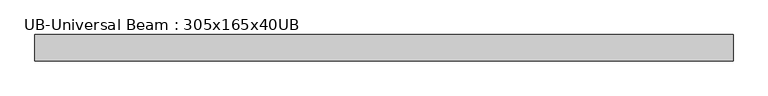
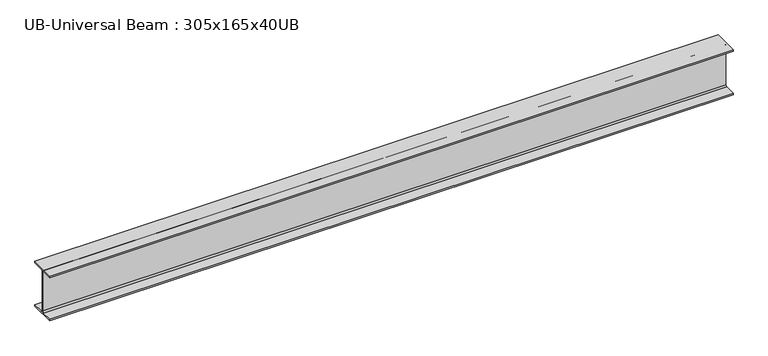
"""IFC4 building model written with IfcOpenShell, lengths in millimetres: beam geometry, UB-Universal Beam : 305x165x40UB."""

import ifcopenshell
import ifcopenshell.guid

model = None  # the IFC model being written
_history = None  # IfcOwnerHistory: only IFC2X3 demands one
_inside = {}  # id of a spatial element -> (the spatial element, [elements in it])
_under = {}  # id of a project, library or spatial element -> (it, [spatial elements below it])
_declared = {}  # id of a project -> (the project, [libraries it declares])
_typed = {}  # id of a type object -> (the type object, [elements of that type])
_made_of = {}  # id of a material, layer set ... -> (it, [elements and type objects made of it])


def new_model(schema):
    """Start an empty IFC model of exactly this schema.

    Asked for "IFC4X3", IfcOpenShell would pick the latest addendum, in which some entities
    have other attributes; the version numbers below select the first issue.
    IFC2X3 requires an IfcOwnerHistory on every rooted entity: one is made here for all.
    """
    global model, _history
    if schema == "IFC4X3":
        model = ifcopenshell.file(schema_version=(4, 3, 0, 0))
    else:
        model = ifcopenshell.file(schema=schema)
    _inside.clear()
    _under.clear()
    _declared.clear()
    _typed.clear()
    _made_of.clear()
    _history = None
    if model.schema == "IFC2X3":
        org = make("IfcOrganization", Name="unknown")
        user = make(
            "IfcPersonAndOrganization",
            ThePerson=make("IfcPerson", FamilyName="unknown"),
            TheOrganization=org,
        )
        app = make(
            "IfcApplication",
            ApplicationDeveloper=org,
            Version="unknown",
            ApplicationFullName="unknown",
            ApplicationIdentifier="unknown",
        )
        _history = make(
            "IfcOwnerHistory",
            OwningUser=user,
            OwningApplication=app,
            ChangeAction="ADDED",
            CreationDate=0,
        )
    return model


def make(cls, **values):
    """One entity of the class cls with the attributes given. An attribute that is None is left unset."""
    return model.create_entity(
        cls, **{name: value for name, value in values.items() if value is not None}
    )


def rooted(cls, **values):
    """An entity with a GlobalId (a new one), such as an element, a storey or a relation."""
    return make(cls, GlobalId=ifcopenshell.guid.new(), OwnerHistory=_history, **values)


def si_unit(unit_type, name, prefix=None):
    """IfcSIUnit, for example si_unit("LENGTHUNIT", "METRE", prefix="MILLI")."""
    return make("IfcSIUnit", UnitType=unit_type, Prefix=prefix, Name=name)


def assignment(units):
    """IfcUnitAssignment: the units of a project."""
    return None if units is None else make("IfcUnitAssignment", Units=units)


def point(xyz):
    """IfcCartesianPoint."""
    return None if xyz is None else make("IfcCartesianPoint", Coordinates=xyz)


def direction(xyz):
    """IfcDirection."""
    return None if xyz is None else make("IfcDirection", DirectionRatios=xyz)


def frame(location, z_axis=None, x_axis=None):
    """IfcAxis2Placement3D, a coordinate frame: its origin and axes. An axis left out is left unset."""
    return make(
        "IfcAxis2Placement3D",
        Location=point(location),
        Axis=direction(z_axis),
        RefDirection=direction(x_axis),
    )


def frame_2d(location, x_axis=None):
    """IfcAxis2Placement2D, a coordinate frame in the plane: its origin and x axis."""
    return make(
        "IfcAxis2Placement2D", Location=point(location), RefDirection=direction(x_axis)
    )


def origin():
    """The frame at (0, 0, 0) with its axes left unset."""
    return frame((0.0, 0.0, 0.0))


def place(relative_to, where):
    """IfcLocalPlacement: puts the frame where relative to a parent placement (None: the world)."""
    return make(
        "IfcLocalPlacement", PlacementRelTo=relative_to, RelativePlacement=where
    )


def context(
    kind, dimensions, precision=None, world=None, true_north=None, identifier=None
):
    """IfcGeometricRepresentationContext, for example the 3D "Model" context."""
    return make(
        "IfcGeometricRepresentationContext",
        ContextIdentifier=identifier,
        ContextType=kind,
        CoordinateSpaceDimension=dimensions,
        Precision=precision,
        WorldCoordinateSystem=world,
        TrueNorth=true_north,
    )


def project(units=None, contexts=None):
    """IfcProject with its units and contexts."""
    return rooted(
        "IfcProject",
        Name="project",
        RepresentationContexts=contexts,
        UnitsInContext=assignment(units),
    )


def spatial(cls, under=None, at=None, **own):
    """A site, building, storey or space (cls), placed at a placement, below another one or the project."""
    s = rooted(cls, ObjectPlacement=at, **own)
    if under is not None:
        _under.setdefault(under.id(), (under, []))[1].append(s)
    return s


def polyline(points):
    """IfcPolyline through the points."""
    return make("IfcPolyline", Points=[point(p) for p in points])


def circle_curve(where, radius):
    """IfcCircle in the frame where."""
    return make("IfcCircle", Position=where, Radius=radius)


def trimmed(basis, trim1, trim2, sense, master):
    """IfcTrimmedCurve: the piece of a basis curve between two trims."""
    return make(
        "IfcTrimmedCurve",
        BasisCurve=basis,
        Trim1=trim1,
        Trim2=trim2,
        SenseAgreement=sense,
        MasterRepresentation=master,
    )


def segment(curve, same_sense, transition):
    """IfcCompositeCurveSegment."""
    return make(
        "IfcCompositeCurveSegment",
        Transition=transition,
        SameSense=same_sense,
        ParentCurve=curve,
    )


def composite_curve(segments, self_intersect=None):
    """IfcCompositeCurve: segments joined end to end."""
    return make("IfcCompositeCurve", Segments=segments, SelfIntersect=self_intersect)


def outline(outer, holes=None, kind="AREA"):
    """IfcArbitraryClosedProfileDef: a profile drawn as a closed curve; with holes, ...WithVoids."""
    if holes is None:
        return make("IfcArbitraryClosedProfileDef", ProfileType=kind, OuterCurve=outer)
    return make(
        "IfcArbitraryProfileDefWithVoids",
        ProfileType=kind,
        OuterCurve=outer,
        InnerCurves=holes,
    )


def extrude(swept, where, along, depth):
    """IfcExtrudedAreaSolid: the profile swept, set in the frame where, extruded along a direction by depth."""
    return make(
        "IfcExtrudedAreaSolid",
        SweptArea=swept,
        Position=where,
        ExtrudedDirection=direction(along),
        Depth=depth,
    )


def shape(context_of_items, identifier, shape_type, items):
    """IfcShapeRepresentation: the items that make up one representation, for example the "Body"."""
    return make(
        "IfcShapeRepresentation",
        ContextOfItems=context_of_items,
        RepresentationIdentifier=identifier,
        RepresentationType=shape_type,
        Items=items,
    )


def source(mapping_origin, context_of_items, identifier, shape_type, items):
    """IfcRepresentationMap: a shape defined once, which mapped items show again and again."""
    return make(
        "IfcRepresentationMap",
        MappingOrigin=mapping_origin,
        MappedRepresentation=shape(context_of_items, identifier, shape_type, items),
    )


def transform(
    local_origin,
    x_axis=None,
    y_axis=None,
    z_axis=None,
    scale=None,
    scale2=None,
    scale3=None,
    uniform=True,
):
    """IfcCartesianTransformationOperator3D, or its non-uniform kind. x_axis, y_axis, z_axis: its Axis1, 2, 3."""
    if uniform:
        return make(
            "IfcCartesianTransformationOperator3D",
            Axis1=direction(x_axis),
            Axis2=direction(y_axis),
            LocalOrigin=point(local_origin),
            Scale=scale,
            Axis3=direction(z_axis),
        )
    return make(
        "IfcCartesianTransformationOperator3DnonUniform",
        Axis1=direction(x_axis),
        Axis2=direction(y_axis),
        LocalOrigin=point(local_origin),
        Scale=scale,
        Axis3=direction(z_axis),
        Scale2=scale2,
        Scale3=scale3,
    )


def mapped(mapping_source, mapping_target):
    """IfcMappedItem: shows the shape of a source again, moved by a transform."""
    return make(
        "IfcMappedItem", MappingSource=mapping_source, MappingTarget=mapping_target
    )


def made_of(thing, what):
    """Note that an element or type object is made of a material, layer set ...; save() writes the relation."""
    if what is not None:
        _made_of.setdefault(what.id(), (what, []))[1].append(thing)
    return thing


def element(
    cls,
    number,
    at=None,
    inside=None,
    cuts=None,
    type_object=None,
    material=None,
    context=None,
    identifier="Body",
    shape_type=None,
    held_by="IfcProductDefinitionShape",
    body=None,
    shapes=None,
    **own,
):
    """One element of the class cls, such as IfcWall. Its Tag is "e" and its number.

    at: its placement. inside: the storey or other place that contains it. cuts: it is an
    opening in that element (IfcRelVoidsElement). A single representation is given by context,
    identifier, shape_type and body (its items); several are given by shapes. held_by: the class
    of the entity that holds the representations. save() writes the other relations.
    """
    e = rooted(cls, Tag="e%d" % number, ObjectPlacement=at, **own)
    if body is not None:
        shapes = [shape(context, identifier, shape_type, body)]
    if shapes is not None:
        e.Representation = make(held_by, Representations=shapes)
    if inside is not None:
        _inside.setdefault(inside.id(), (inside, []))[1].append(e)
    if cuts is not None:
        rooted(
            "IfcRelVoidsElement", RelatingBuildingElement=cuts, RelatedOpeningElement=e
        )
    if type_object is not None:
        _typed.setdefault(type_object.id(), (type_object, []))[1].append(e)
    return made_of(e, material)


def aggregate(whole, parts):
    """IfcRelAggregates: a whole, such as a stair, and the parts it consists of."""
    return rooted("IfcRelAggregates", RelatingObject=whole, RelatedObjects=parts)


def save(model, path):
    """Write the relations noted so far, then the file.

    IfcRelAggregates (storeys below a building ...), IfcRelContainedInSpatialStructure (elements
    in a storey), IfcRelDefinesByType, IfcRelAssociatesMaterial and IfcRelDeclares: one each for
    every whole, place, type object, material and project.
    """
    for whole, parts in _under.values():
        aggregate(whole, parts)
    for where, things in _inside.values():
        rooted(
            "IfcRelContainedInSpatialStructure",
            RelatedElements=things,
            RelatingStructure=where,
        )
    for kind, things in _typed.values():
        rooted("IfcRelDefinesByType", RelatedObjects=things, RelatingType=kind)
    for what, things in _made_of.values():
        rooted("IfcRelAssociatesMaterial", RelatedObjects=things, RelatingMaterial=what)
    for by, libraries in _declared.values():
        rooted("IfcRelDeclares", RelatingContext=by, RelatedDefinitions=libraries)
    model.write(path)


def ub_universal_beam_305x165x40ub_800512f0(model_context):
    return source(origin(), model_context, "Body", "SweptSolid", [
        extrude(outline(composite_curve([segment(polyline([(82.5, -141.5), (82.5, -151.7), (-82.5, -151.7), (-82.5, -141.5), (-11.9, -141.5)]), True, "CONTINUOUS"), segment(trimmed(circle_curve(frame_2d((-11.9, -132.6)), 8.9), [point((-11.9, -141.5))], [point((-3.0, -132.6))], True, "CARTESIAN"), True, "CONTINUOUS"), segment(polyline([(-3.0, -132.6), (-3.0, 132.6)]), True, "CONTINUOUS"), segment(trimmed(circle_curve(frame_2d((-11.9, 132.6)), 8.9), [point((-3.0, 132.6))], [point((-11.9, 141.5))], True, "CARTESIAN"), True, "CONTINUOUS"), segment(polyline([(-11.9, 141.5), (-82.5, 141.5), (-82.5, 151.7), (82.5, 151.7), (82.5, 141.5), (11.9, 141.5)]), True, "CONTINUOUS"), segment(trimmed(circle_curve(frame_2d((11.9, 132.6)), 8.9), [point((11.9, 141.5))], [point((3.0, 132.6))], True, "CARTESIAN"), True, "CONTINUOUS"), segment(polyline([(3.0, 132.6), (3.0, -132.6)]), True, "CONTINUOUS"), segment(trimmed(circle_curve(frame_2d((11.9, -132.6)), 8.9), [point((3.0, -132.6))], [point((11.9, -141.5))], True, "CARTESIAN"), True, "CONTINUOUS"), segment(polyline([(11.9, -141.5), (82.5, -141.5)]), True, "CONTINUOUS")], self_intersect=False)), frame((-2179.9, 0.0, 0.0), z_axis=(1.0, 0.0, 0.0), x_axis=(0.0, 1.0, 0.0)), (0.0, 0.0, 1.0), 4359.8),
    ])


if __name__ == "__main__":
    model = new_model("IFC4")
    model_context = context("Model", 3, world=origin())
    ifc_project = project(units=[si_unit("LENGTHUNIT", "METRE", prefix="MILLI")], contexts=[model_context])
    site = spatial("IfcSite", under=ifc_project)
    building = spatial("IfcBuilding", under=site)
    placement = place(None, origin())
    ub_universal_beam_305x165x40ub_shape = ub_universal_beam_305x165x40ub_800512f0(model_context)
    element("IfcBeam", 1, ObjectType="UB-Universal Beam : 305x165x40UB", at=placement, inside=building, context=model_context, shape_type="MappedRepresentation", body=[
        mapped(ub_universal_beam_305x165x40ub_shape, transform((0.0, 0.0, 0.0), x_axis=(1.0, 0.0, 0.0), y_axis=(0.0, 1.0, 0.0), z_axis=(0.0, 0.0, 1.0))),
    ])
    save(model, "model.ifc")
